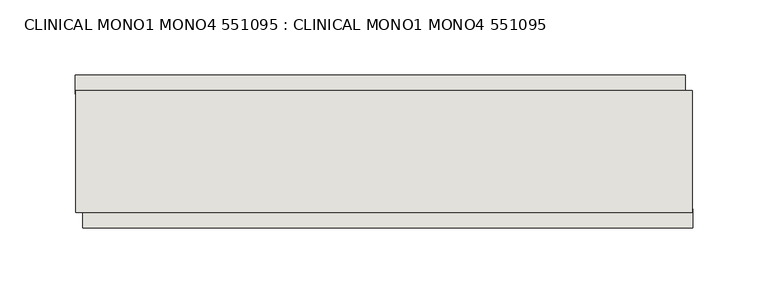
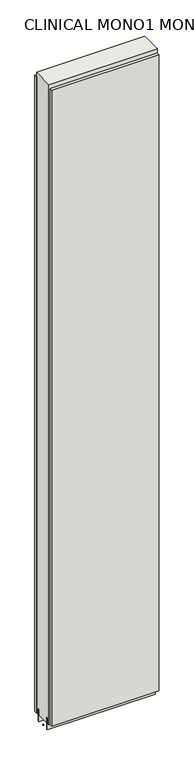
"""IFC4 building model written with IfcOpenShell, lengths in millimetres: wall geometry, CLINICAL MONO1 MONO4 551095 : CLINICAL MONO1 MONO4 551095."""

from ifc_helpers import new_model, si_unit, frame, origin, place, context, project, spatial, polyline, outline, extrude, source, transform, mapped, element, save


def clinical_mono1_mono4_551095_clinical_mono1_mono4_551095_18a643fa(model_context):
    return source(origin(), model_context, "Body", "SweptSolid", [
        extrude(outline(polyline([(44170.9398266, -39610.7995692), (44168.3998266, -39610.7995692), (44168.3998266, -39608.2595692), (44170.9398266, -39608.2595692), (44170.9398266, -39610.7995692)])), frame((0.0, 0.0, 4419.6), z_axis=(0.0, 0.0, 1.0), x_axis=(1.0, 0.0, 0.0)), (0.0, 0.0, 1.0), 2.54),
        extrude(outline(polyline([(44167.9349685, -39558.7295692), (44573.0049483, -39558.7295692), (44573.0049483, -39571.4295692), (44167.9349685, -39571.4295692), (44167.9349685, -39558.7295692)])), frame((0.0, 0.0, 4445.0), z_axis=(0.0, 0.0, 1.0), x_axis=(1.0, 0.0, 0.0)), (0.0, 0.0, 1.0), 2545.0498756),
        extrude(outline(polyline([(44577.9348851, -39660.3295692), (44172.8649053, -39660.3295692), (44172.8649053, -39647.6295692), (44577.9348851, -39647.6295692), (44577.9348851, -39660.3295692)])), frame((0.0, 0.0, 4445.0), z_axis=(0.0, 0.0, 1.0), x_axis=(1.0, 0.0, 0.0)), (0.0, 0.0, 1.0), 2545.0498756),
        extrude(outline(polyline([(44577.4557776, -39584.4520222), (44168.3892856, -39584.4520222), (44168.3892856, -39579.3732668), (44577.4557776, -39579.3732668), (44577.4557776, -39584.4520222)])), frame((0.0, 0.0, 4418.6602), z_axis=(0.0, 0.0, 1.0), x_axis=(1.0, 0.0, 0.0)), (0.0, 0.0, 1.0), 47.625),
        extrude(outline(polyline([(44577.4557776, -39584.4520222), (44168.3892856, -39584.4520222), (44168.3892856, -39579.3732668), (44577.4557776, -39579.3732668), (44577.4557776, -39584.4520222)])), frame((0.0, 0.0, 4418.6602), z_axis=(0.0, 0.0, 1.0), x_axis=(1.0, 0.0, 0.0)), (0.0, 0.0, 1.0), 47.625),
        extrude(outline(polyline([(44168.3892856, -39634.6164126), (44577.4557776, -39634.6164126), (44577.4557776, -39639.6982668), (44168.3892856, -39639.6982668), (44168.3892856, -39634.6164126)])), frame((0.0, 0.0, 4418.6602), z_axis=(0.0, 0.0, 1.0), x_axis=(1.0, 0.0, 0.0)), (0.0, 0.0, 1.0), 47.625),
        extrude(outline(polyline([(44168.3892856, -39634.6164126), (44577.4557776, -39634.6164126), (44577.4557776, -39639.6982668), (44168.3892856, -39639.6982668), (44168.3892856, -39634.6164126)])), frame((0.0, 0.0, 4418.6602), z_axis=(0.0, 0.0, 1.0), x_axis=(1.0, 0.0, 0.0)), (0.0, 0.0, 1.0), 47.625),
        extrude(outline(polyline([(44577.4836922, -39568.8808824), (44577.4836922, -39650.1627366), (44168.3892856, -39650.1627366), (44168.3892856, -39568.8808824), (44577.4836922, -39568.8808824)])), frame((0.0, 0.0, 4445.0), z_axis=(0.0, 0.0, 1.0), x_axis=(1.0, 0.0, 0.0)), (0.0, 0.0, 1.0), 2562.4536762),
    ])


if __name__ == "__main__":
    model = new_model("IFC4")
    model_context = context("Model", 3, world=origin())
    ifc_project = project(units=[si_unit("LENGTHUNIT", "METRE", prefix="MILLI")], contexts=[model_context])
    site = spatial("IfcSite", under=ifc_project)
    building = spatial("IfcBuilding", under=site)
    placement = place(None, origin())
    clinical_mono1_mono4_551095_clinical_mono1_mono4_551095_shape = clinical_mono1_mono4_551095_clinical_mono1_mono4_551095_18a643fa(model_context)
    element("IfcWall", 1, ObjectType="CLINICAL MONO1 MONO4 551095 : CLINICAL MONO1 MONO4 551095", at=placement, inside=building, context=model_context, shape_type="MappedRepresentation", body=[
        mapped(clinical_mono1_mono4_551095_clinical_mono1_mono4_551095_shape, transform((0.0, 0.0, 0.0), x_axis=(1.0, 0.0, 0.0), y_axis=(0.0, 1.0, 0.0), z_axis=(0.0, 0.0, 1.0))),
    ])
    save(model, "model.ifc")
